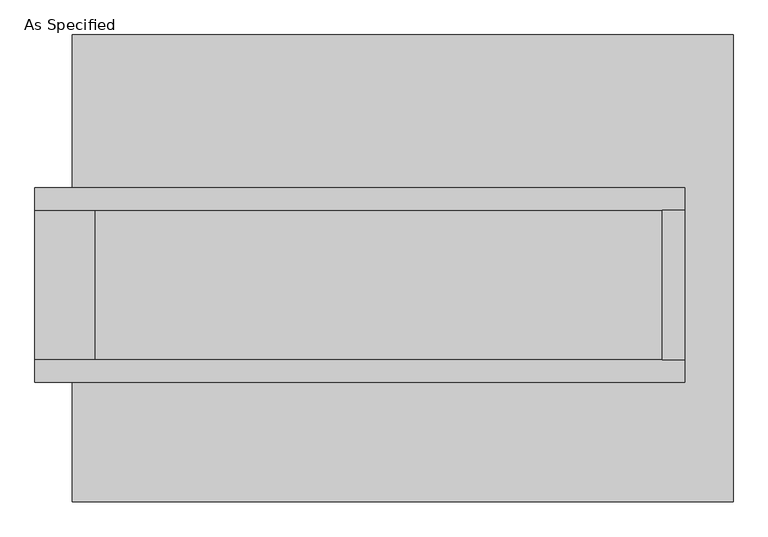
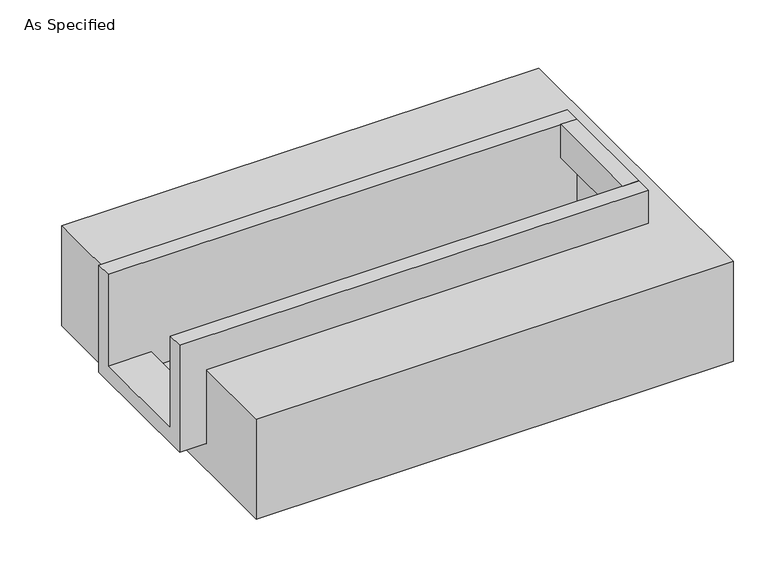
"""IFC4 building model written with IfcOpenShell, lengths in millimetres: proxy geometry, As Specified."""

from ifc_helpers import new_model, si_unit, frame, origin, place, context, project, spatial, polyline, outline, extrude, faceted_brep, source, transform, mapped, element, save


def as_specified_bc3ea62e(model_context):
    return source(origin(), model_context, "Body", "SolidModel", [
        extrude(outline(polyline([(882.65, 196.85), (958.85, 196.85), (958.85, -311.15), (882.65, -311.15), (882.65, 196.85)])), frame((0.0, 0.0, -25.4), z_axis=(0.0, 0.0, 1.0), x_axis=(1.0, 0.0, 0.0)), (0.0, 0.0, 1.0), 165.1),
        faceted_brep([(958.85, 196.85, 139.7), (958.85, 196.85, -317.5), (958.85, -311.15, -317.5), (958.85, -311.15, 139.7), (958.85, -387.35, 139.7), (958.85, -387.35, -393.7), (958.85, 273.05, -393.7), (958.85, 273.05, 139.7), (-1250.95, 196.85, 139.7), (-1250.95, 273.05, 139.7), (-1250.95, 273.05, -393.7), (-1250.95, -387.35, -393.7), (-1250.95, -387.35, 139.7), (-1250.95, -311.15, 139.7), (-1250.95, -311.15, -317.5), (-1250.95, 196.85, -317.5), (-1047.75, 196.85, -393.7), (-1047.75, -311.15, -393.7), (882.65, -311.15, -393.7), (882.65, 196.85, -393.7), (882.65, -311.15, -317.5), (-1047.75, -311.15, -317.5), (882.65, 196.85, -317.5), (-1047.75, 196.85, -317.5)], [[[0, 1, 2, 3, 4, 5, 6, 7]], [[8, 9, 10, 11, 12, 13, 14, 15]], [[0, 7, 9, 8]], [[7, 6, 10, 9]], [[6, 5, 11, 10], [16, 17, 18, 19]], [[4, 3, 13, 12]], [[3, 2, 20, 18, 17, 21, 14, 13]], [[2, 1, 22, 20]], [[15, 14, 21, 23]], [[1, 0, 8, 15, 23, 16, 19, 22]], [[21, 17, 16, 23]], [[18, 20, 22, 19]], [[5, 4, 12, 11]]]),
        faceted_brep([(-1123.95, 793.75, -523.9742188), (1123.95, 793.75, -523.9742188), (1123.95, -793.75, -523.9742188), (-1123.95, -793.75, -523.9742188), (1123.95, 793.75, -25.4), (-1123.95, 793.75, -25.4), (-1123.95, 273.05, -25.4), (958.85, 273.05, -25.4), (958.85, -387.35, -25.4), (-1123.95, -387.35, -25.4), (-1123.95, -793.75, -25.4), (1123.95, -793.75, -25.4), (-1123.95, -387.35, -393.7), (-1123.95, 273.05, -393.7), (958.85, 273.05, -393.7), (958.85, -387.35, -393.7)], [[[0, 1, 2, 3]], [[4, 5, 6, 7, 8, 9, 10, 11]], [[1, 0, 5, 4]], [[5, 0, 3, 10, 9, 12, 13, 6]], [[1, 4, 11, 2]], [[3, 2, 11, 10]], [[14, 15, 8, 7]], [[13, 14, 7, 6]], [[15, 14, 13, 12]], [[15, 12, 9, 8]]]),
    ])


if __name__ == "__main__":
    model = new_model("IFC4")
    model_context = context("Model", 3, world=origin())
    ifc_project = project(units=[si_unit("LENGTHUNIT", "METRE", prefix="MILLI")], contexts=[model_context])
    site = spatial("IfcSite", under=ifc_project)
    building = spatial("IfcBuilding", under=site)
    placement = place(None, origin())
    as_specified_shape = as_specified_bc3ea62e(model_context)
    element("IfcBuildingElementProxy", 1, Name="As Specified", ObjectType="As Specified", at=placement, inside=building, context=model_context, shape_type="MappedRepresentation", body=[
        mapped(as_specified_shape, transform((0.0, 0.0, 0.0), x_axis=(1.0, 0.0, 0.0), y_axis=(0.0, 1.0, 0.0), z_axis=(0.0, 0.0, 1.0))),
    ])
    save(model, "model.ifc")
